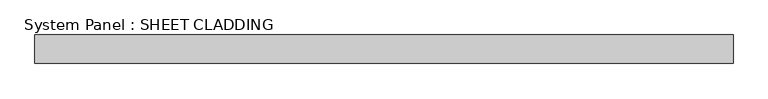
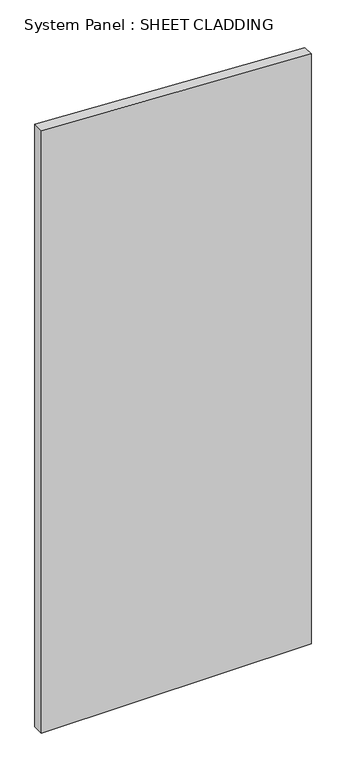
"""IFC4 building model written with IfcOpenShell, lengths in millimetres: plate geometry, System Panel : SHEET CLADDING."""

from ifc_helpers import new_model, si_unit, frame, origin, place, context, project, spatial, polyline, outline, extrude, source, transform, mapped, element, save


def system_panel_sheet_cladding_702c2ac5(model_context):
    return source(origin(), model_context, "Body", "SweptSolid", [
        extrude(outline(polyline([(0.0, -735.4591837), (0.0, 735.4591837), (3399.0795918, 735.4591837), (3472.6255102, -735.4591837), (0.0, -735.4591837)])), frame((0.0, -10.5, 0.0), z_axis=(0.0, 1.0, 0.0), x_axis=(0.0, 0.0, 1.0)), (0.0, 0.0, 1.0), 60.0),
    ])


if __name__ == "__main__":
    model = new_model("IFC4")
    model_context = context("Model", 3, world=origin())
    ifc_project = project(units=[si_unit("LENGTHUNIT", "METRE", prefix="MILLI")], contexts=[model_context])
    site = spatial("IfcSite", under=ifc_project)
    building = spatial("IfcBuilding", under=site)
    placement = place(None, origin())
    system_panel_sheet_cladding_shape = system_panel_sheet_cladding_702c2ac5(model_context)
    element("IfcPlate", 1, ObjectType="System Panel : SHEET CLADDING", at=placement, inside=building, context=model_context, shape_type="MappedRepresentation", body=[
        mapped(system_panel_sheet_cladding_shape, transform((0.0, 0.0, 0.0), x_axis=(1.0, 0.0, 0.0), y_axis=(0.0, 1.0, 0.0), z_axis=(0.0, 0.0, 1.0))),
    ])
    save(model, "model.ifc")
